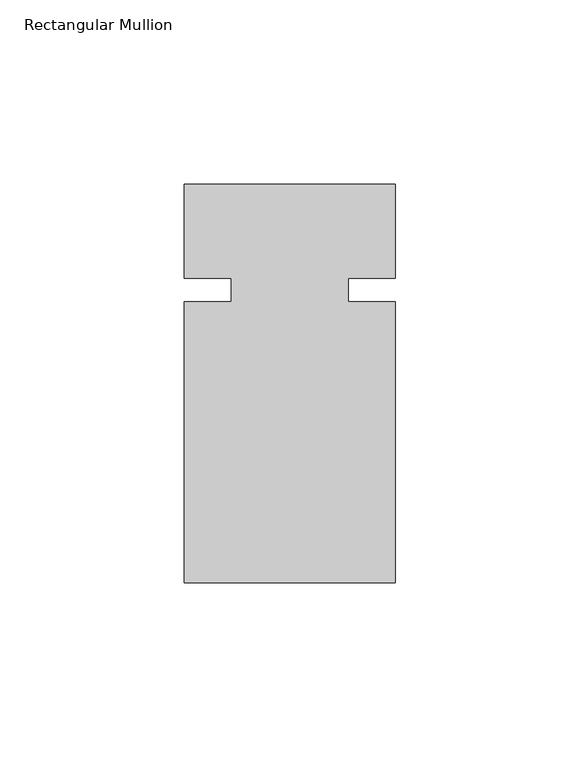
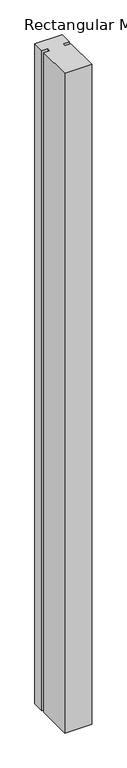
"""IFC4 building model written with IfcOpenShell, lengths in millimetres: member geometry, Rectangular Mullion."""

from ifc_helpers import new_model, si_unit, frame, origin, place, context, project, spatial, polyline, outline, extrude, source, transform, mapped, element, save


def rectangular_mullion_520d0e20(model_context):
    return source(origin(), model_context, "Body", "SweptSolid", [
        extrude(outline(polyline([(32.9094027, -79.375), (-24.2405973, -79.375), (-24.2405973, -3.175), (-11.5405973, -3.175), (-11.5405973, 3.175), (-24.2405973, 3.175), (-24.2405973, 28.575), (32.9094027, 28.575), (32.9094027, 3.175), (20.2076322, 3.175), (20.2076322, -3.175), (32.9094027, -3.175), (32.9094027, -79.375)])), frame((0.0, 0.0, -1466.85), z_axis=(0.0, 0.0, 1.0), x_axis=(1.0, 0.0, 0.0)), (0.0, 0.0, 1.0), 1466.85),
    ])


if __name__ == "__main__":
    model = new_model("IFC4")
    model_context = context("Model", 3, world=origin())
    ifc_project = project(units=[si_unit("LENGTHUNIT", "METRE", prefix="MILLI")], contexts=[model_context])
    site = spatial("IfcSite", under=ifc_project)
    building = spatial("IfcBuilding", under=site)
    placement = place(None, origin())
    rectangular_mullion_shape = rectangular_mullion_520d0e20(model_context)
    element("IfcMember", 1, ObjectType="Rectangular Mullion", at=placement, inside=building, context=model_context, shape_type="MappedRepresentation", body=[
        mapped(rectangular_mullion_shape, transform((0.0, 0.0, 0.0), x_axis=(1.0, 0.0, 0.0), y_axis=(0.0, 1.0, 0.0), z_axis=(0.0, 0.0, 1.0))),
    ])
    save(model, "model.ifc")
